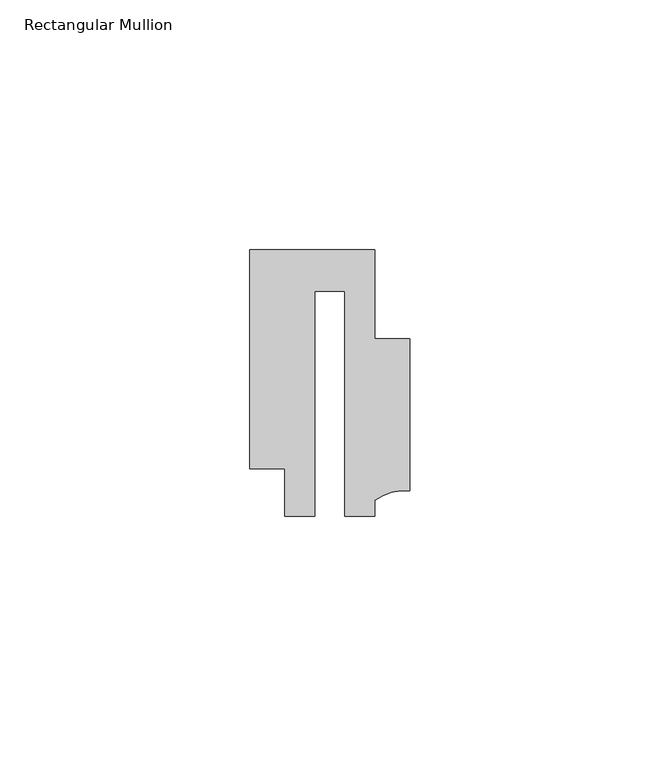
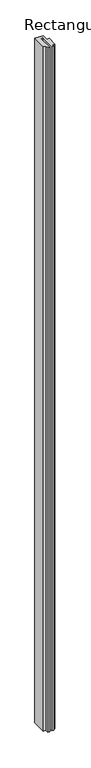
"""IFC4 building model written with IfcOpenShell, lengths in millimetres: member geometry, Rectangular Mullion."""

from ifc_helpers import new_model, si_unit, point, frame, frame_2d, origin, place, context, project, spatial, polyline, circle_curve, trimmed, segment, composite_curve, outline, extrude, source, transform, mapped, element, save


def rectangular_mullion_95c95ae1(model_context):
    return source(origin(), model_context, "Body", "SweptSolid", [
        extrude(outline(composite_curve([segment(polyline([(15.9999391, 14.9953356), (15.9999391, -15.3837352)]), True, "CONTINUOUS"), segment(trimmed(circle_curve(frame_2d((15.1098019, -25.802169)), 10.4563907), [point((15.9999391, -15.3837352))], [point((8.9999842, -17.3165203))], True, "CARTESIAN"), True, "CONTINUOUS"), segment(polyline([(8.9999842, -17.3165203), (8.9999842, -20.5039877), (2.9999676, -20.5039877), (2.9999676, 24.5130805), (-2.9999659, 24.5130805), (-2.9999659, -20.5039877), (-8.9999842, -20.5039877), (-8.9999842, -11.0039877), (-15.9999391, -11.0039877), (-15.9999391, 32.7960123), (9.0, 32.7960123), (9.0, 14.9953356), (15.9999391, 14.9953356)]), True, "CONTINUOUS")], self_intersect=False)), frame((0.0, 0.0, -2165.0000127), z_axis=(0.0, 0.0, 1.0), x_axis=(1.0, 0.0, 0.0)), (0.0, 0.0, 1.0), 2165.0000127),
    ])


if __name__ == "__main__":
    model = new_model("IFC4")
    model_context = context("Model", 3, world=origin())
    ifc_project = project(units=[si_unit("LENGTHUNIT", "METRE", prefix="MILLI")], contexts=[model_context])
    site = spatial("IfcSite", under=ifc_project)
    building = spatial("IfcBuilding", under=site)
    placement = place(None, origin())
    rectangular_mullion_shape = rectangular_mullion_95c95ae1(model_context)
    element("IfcMember", 1, ObjectType="Rectangular Mullion", at=placement, inside=building, context=model_context, shape_type="MappedRepresentation", body=[
        mapped(rectangular_mullion_shape, transform((0.0, 0.0, 0.0), x_axis=(1.0, 0.0, 0.0), y_axis=(0.0, 1.0, 0.0), z_axis=(0.0, 0.0, 1.0))),
    ])
    save(model, "model.ifc")
